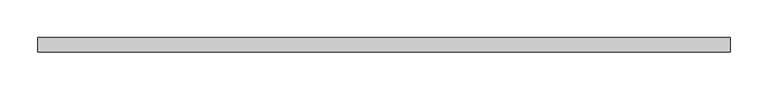
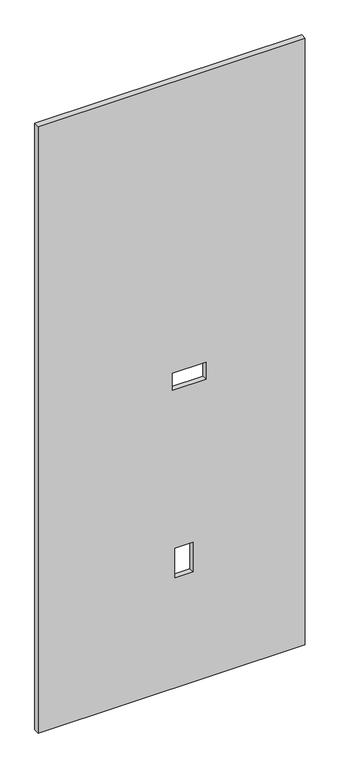
"""IFC4 building model written with IfcOpenShell, lengths in millimetres: proxy geometry."""

import ifcopenshell
import ifcopenshell.guid

model = None  # the IFC model being written
_history = None  # IfcOwnerHistory: only IFC2X3 demands one
_inside = {}  # id of a spatial element -> (the spatial element, [elements in it])
_under = {}  # id of a project, library or spatial element -> (it, [spatial elements below it])
_declared = {}  # id of a project -> (the project, [libraries it declares])
_typed = {}  # id of a type object -> (the type object, [elements of that type])
_made_of = {}  # id of a material, layer set ... -> (it, [elements and type objects made of it])


def new_model(schema):
    """Start an empty IFC model of exactly this schema.

    Asked for "IFC4X3", IfcOpenShell would pick the latest addendum, in which some entities
    have other attributes; the version numbers below select the first issue.
    IFC2X3 requires an IfcOwnerHistory on every rooted entity: one is made here for all.
    """
    global model, _history
    if schema == "IFC4X3":
        model = ifcopenshell.file(schema_version=(4, 3, 0, 0))
    else:
        model = ifcopenshell.file(schema=schema)
    _inside.clear()
    _under.clear()
    _declared.clear()
    _typed.clear()
    _made_of.clear()
    _history = None
    if model.schema == "IFC2X3":
        org = make("IfcOrganization", Name="unknown")
        user = make(
            "IfcPersonAndOrganization",
            ThePerson=make("IfcPerson", FamilyName="unknown"),
            TheOrganization=org,
        )
        app = make(
            "IfcApplication",
            ApplicationDeveloper=org,
            Version="unknown",
            ApplicationFullName="unknown",
            ApplicationIdentifier="unknown",
        )
        _history = make(
            "IfcOwnerHistory",
            OwningUser=user,
            OwningApplication=app,
            ChangeAction="ADDED",
            CreationDate=0,
        )
    return model


def make(cls, **values):
    """One entity of the class cls with the attributes given. An attribute that is None is left unset."""
    return model.create_entity(
        cls, **{name: value for name, value in values.items() if value is not None}
    )


def rooted(cls, **values):
    """An entity with a GlobalId (a new one), such as an element, a storey or a relation."""
    return make(cls, GlobalId=ifcopenshell.guid.new(), OwnerHistory=_history, **values)


def si_unit(unit_type, name, prefix=None):
    """IfcSIUnit, for example si_unit("LENGTHUNIT", "METRE", prefix="MILLI")."""
    return make("IfcSIUnit", UnitType=unit_type, Prefix=prefix, Name=name)


def assignment(units):
    """IfcUnitAssignment: the units of a project."""
    return None if units is None else make("IfcUnitAssignment", Units=units)


def point(xyz):
    """IfcCartesianPoint."""
    return None if xyz is None else make("IfcCartesianPoint", Coordinates=xyz)


def direction(xyz):
    """IfcDirection."""
    return None if xyz is None else make("IfcDirection", DirectionRatios=xyz)


def frame(location, z_axis=None, x_axis=None):
    """IfcAxis2Placement3D, a coordinate frame: its origin and axes. An axis left out is left unset."""
    return make(
        "IfcAxis2Placement3D",
        Location=point(location),
        Axis=direction(z_axis),
        RefDirection=direction(x_axis),
    )


def origin():
    """The frame at (0, 0, 0) with its axes left unset."""
    return frame((0.0, 0.0, 0.0))


def place(relative_to, where):
    """IfcLocalPlacement: puts the frame where relative to a parent placement (None: the world)."""
    return make(
        "IfcLocalPlacement", PlacementRelTo=relative_to, RelativePlacement=where
    )


def context(
    kind, dimensions, precision=None, world=None, true_north=None, identifier=None
):
    """IfcGeometricRepresentationContext, for example the 3D "Model" context."""
    return make(
        "IfcGeometricRepresentationContext",
        ContextIdentifier=identifier,
        ContextType=kind,
        CoordinateSpaceDimension=dimensions,
        Precision=precision,
        WorldCoordinateSystem=world,
        TrueNorth=true_north,
    )


def project(units=None, contexts=None):
    """IfcProject with its units and contexts."""
    return rooted(
        "IfcProject",
        Name="project",
        RepresentationContexts=contexts,
        UnitsInContext=assignment(units),
    )


def spatial(cls, under=None, at=None, **own):
    """A site, building, storey or space (cls), placed at a placement, below another one or the project."""
    s = rooted(cls, ObjectPlacement=at, **own)
    if under is not None:
        _under.setdefault(under.id(), (under, []))[1].append(s)
    return s


def polyline(points):
    """IfcPolyline through the points."""
    return make("IfcPolyline", Points=[point(p) for p in points])


def outline(outer, holes=None, kind="AREA"):
    """IfcArbitraryClosedProfileDef: a profile drawn as a closed curve; with holes, ...WithVoids."""
    if holes is None:
        return make("IfcArbitraryClosedProfileDef", ProfileType=kind, OuterCurve=outer)
    return make(
        "IfcArbitraryProfileDefWithVoids",
        ProfileType=kind,
        OuterCurve=outer,
        InnerCurves=holes,
    )


def extrude(swept, where, along, depth):
    """IfcExtrudedAreaSolid: the profile swept, set in the frame where, extruded along a direction by depth."""
    return make(
        "IfcExtrudedAreaSolid",
        SweptArea=swept,
        Position=where,
        ExtrudedDirection=direction(along),
        Depth=depth,
    )


def shape(context_of_items, identifier, shape_type, items):
    """IfcShapeRepresentation: the items that make up one representation, for example the "Body"."""
    return make(
        "IfcShapeRepresentation",
        ContextOfItems=context_of_items,
        RepresentationIdentifier=identifier,
        RepresentationType=shape_type,
        Items=items,
    )


def source(mapping_origin, context_of_items, identifier, shape_type, items):
    """IfcRepresentationMap: a shape defined once, which mapped items show again and again."""
    return make(
        "IfcRepresentationMap",
        MappingOrigin=mapping_origin,
        MappedRepresentation=shape(context_of_items, identifier, shape_type, items),
    )


def transform(
    local_origin,
    x_axis=None,
    y_axis=None,
    z_axis=None,
    scale=None,
    scale2=None,
    scale3=None,
    uniform=True,
):
    """IfcCartesianTransformationOperator3D, or its non-uniform kind. x_axis, y_axis, z_axis: its Axis1, 2, 3."""
    if uniform:
        return make(
            "IfcCartesianTransformationOperator3D",
            Axis1=direction(x_axis),
            Axis2=direction(y_axis),
            LocalOrigin=point(local_origin),
            Scale=scale,
            Axis3=direction(z_axis),
        )
    return make(
        "IfcCartesianTransformationOperator3DnonUniform",
        Axis1=direction(x_axis),
        Axis2=direction(y_axis),
        LocalOrigin=point(local_origin),
        Scale=scale,
        Axis3=direction(z_axis),
        Scale2=scale2,
        Scale3=scale3,
    )


def mapped(mapping_source, mapping_target):
    """IfcMappedItem: shows the shape of a source again, moved by a transform."""
    return make(
        "IfcMappedItem", MappingSource=mapping_source, MappingTarget=mapping_target
    )


def made_of(thing, what):
    """Note that an element or type object is made of a material, layer set ...; save() writes the relation."""
    if what is not None:
        _made_of.setdefault(what.id(), (what, []))[1].append(thing)
    return thing


def element(
    cls,
    number,
    at=None,
    inside=None,
    cuts=None,
    type_object=None,
    material=None,
    context=None,
    identifier="Body",
    shape_type=None,
    held_by="IfcProductDefinitionShape",
    body=None,
    shapes=None,
    **own,
):
    """One element of the class cls, such as IfcWall. Its Tag is "e" and its number.

    at: its placement. inside: the storey or other place that contains it. cuts: it is an
    opening in that element (IfcRelVoidsElement). A single representation is given by context,
    identifier, shape_type and body (its items); several are given by shapes. held_by: the class
    of the entity that holds the representations. save() writes the other relations.
    """
    e = rooted(cls, Tag="e%d" % number, ObjectPlacement=at, **own)
    if body is not None:
        shapes = [shape(context, identifier, shape_type, body)]
    if shapes is not None:
        e.Representation = make(held_by, Representations=shapes)
    if inside is not None:
        _inside.setdefault(inside.id(), (inside, []))[1].append(e)
    if cuts is not None:
        rooted(
            "IfcRelVoidsElement", RelatingBuildingElement=cuts, RelatedOpeningElement=e
        )
    if type_object is not None:
        _typed.setdefault(type_object.id(), (type_object, []))[1].append(e)
    return made_of(e, material)


def aggregate(whole, parts):
    """IfcRelAggregates: a whole, such as a stair, and the parts it consists of."""
    return rooted("IfcRelAggregates", RelatingObject=whole, RelatedObjects=parts)


def save(model, path):
    """Write the relations noted so far, then the file.

    IfcRelAggregates (storeys below a building ...), IfcRelContainedInSpatialStructure (elements
    in a storey), IfcRelDefinesByType, IfcRelAssociatesMaterial and IfcRelDeclares: one each for
    every whole, place, type object, material and project.
    """
    for whole, parts in _under.values():
        aggregate(whole, parts)
    for where, things in _inside.values():
        rooted(
            "IfcRelContainedInSpatialStructure",
            RelatedElements=things,
            RelatingStructure=where,
        )
    for kind, things in _typed.values():
        rooted("IfcRelDefinesByType", RelatedObjects=things, RelatingType=kind)
    for what, things in _made_of.values():
        rooted("IfcRelAssociatesMaterial", RelatedObjects=things, RelatingMaterial=what)
    for by, libraries in _declared.values():
        rooted("IfcRelDeclares", RelatingContext=by, RelatedDefinitions=libraries)
    model.write(path)


def specialty_equipment_54eff541(model_context):
    return source(origin(), model_context, "Body", "SweptSolid", [
        extrude(outline(polyline([(2206.625, 459.2490674), (2206.625, -459.2490674), (3.175, -459.2490674), (3.175, 459.2490674), (2206.625, 459.2490674)]), holes=[polyline([(509.0668, 74.295), (402.3868, 74.295), (402.3868, 12.065), (509.0668, 12.065), (509.0668, 74.295)]), polyline([(1148.715, 118.872), (1086.485, 118.872), (1086.485, 4.064), (1148.715, 4.064), (1148.715, 118.872)])]), frame((0.0, -9.525, 0.0), z_axis=(0.0, 1.0, 0.0), x_axis=(0.0, 0.0, 1.0)), (0.0, 0.0, 1.0), 19.05),
    ])


if __name__ == "__main__":
    model = new_model("IFC4")
    model_context = context("Model", 3, world=origin())
    ifc_project = project(units=[si_unit("LENGTHUNIT", "METRE", prefix="MILLI")], contexts=[model_context])
    site = spatial("IfcSite", under=ifc_project)
    building = spatial("IfcBuilding", under=site)
    placement = place(None, origin())
    specialty_equipment_shape = specialty_equipment_54eff541(model_context)
    element("IfcBuildingElementProxy", 1, Name="Specialty Equipment", at=placement, inside=building, context=model_context, shape_type="MappedRepresentation", body=[
        mapped(specialty_equipment_shape, transform((0.0, 0.0, 0.0), x_axis=(1.0, 0.0, 0.0), y_axis=(0.0, 1.0, 0.0), z_axis=(0.0, 0.0, 1.0))),
    ])
    save(model, "model.ifc")
